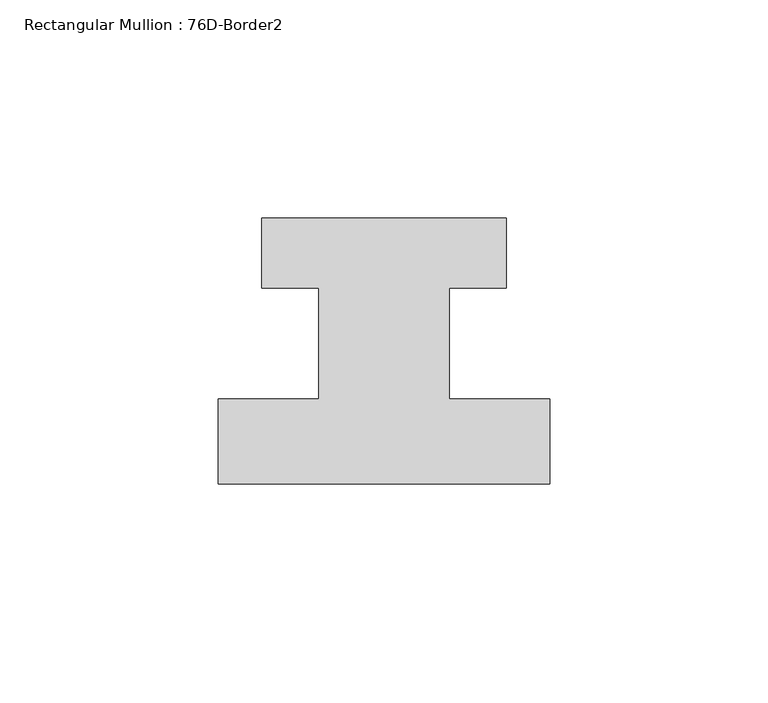
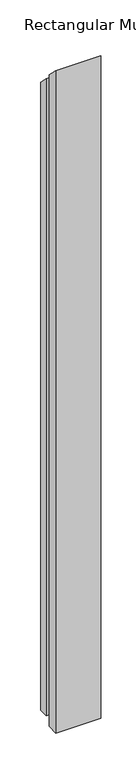
"""IFC4 building model written with IfcOpenShell, lengths in millimetres: member geometry, Rectangular Mullion : 76D-Border2."""

from ifc_helpers import new_model, si_unit, origin, place, context, project, spatial, faceted_brep, source, transform, mapped, element, save


def rectangular_mullion_76d_border2_1bf5336b(model_context):
    return source(origin(), model_context, "Body", "Brep", [
        faceted_brep([(0.0, -20.0, -1162.0), (-76.0, -20.0, -1162.0), (-76.0, -0.5, -1162.0), (-53.0, -0.5, -1162.0), (-53.0, 25.0, -1162.0), (-66.0, 25.0, -1162.0), (-66.0, 41.0, -1162.0), (-10.0, 41.0, -1162.0), (-10.0, 25.0, -1162.0), (-23.0, 25.0, -1162.0), (-23.0, -0.5, -1162.0), (0.0, -0.5, -1162.0), (0.0, -0.5, 0.5), (0.0, -20.0, 20.0), (-23.0, -0.5, 0.5), (-23.0, 25.0, -25.0), (-10.0, 25.0, -25.0), (-10.0, 41.0, -41.0), (-66.0, 41.0, -41.0), (-66.0, 25.0, -25.0), (-53.0, 25.0, -25.0), (-53.0, -0.5, 0.5), (-76.0, -0.5, 0.5), (-76.0, -20.0, 20.0)], [[[0, 1, 2, 3, 4, 5, 6, 7, 8, 9, 10, 11]], [[12, 13, 0, 11]], [[14, 12, 11, 10]], [[15, 14, 10, 9]], [[16, 15, 9, 8]], [[17, 16, 8, 7]], [[18, 17, 7, 6]], [[19, 18, 6, 5]], [[20, 19, 5, 4]], [[21, 20, 4, 3]], [[22, 21, 3, 2]], [[23, 22, 2, 1]], [[13, 23, 1, 0]], [[13, 12, 14, 15, 16, 17, 18, 19, 20, 21, 22, 23]]]),
    ])


if __name__ == "__main__":
    model = new_model("IFC4")
    model_context = context("Model", 3, world=origin())
    ifc_project = project(units=[si_unit("LENGTHUNIT", "METRE", prefix="MILLI")], contexts=[model_context])
    site = spatial("IfcSite", under=ifc_project)
    building = spatial("IfcBuilding", under=site)
    placement = place(None, origin())
    rectangular_mullion_76d_border2_shape = rectangular_mullion_76d_border2_1bf5336b(model_context)
    element("IfcMember", 1, ObjectType="Rectangular Mullion : 76D-Border2", at=placement, inside=building, context=model_context, shape_type="MappedRepresentation", body=[
        mapped(rectangular_mullion_76d_border2_shape, transform((0.0, 0.0, 0.0), x_axis=(1.0, 0.0, 0.0), y_axis=(0.0, 1.0, 0.0), z_axis=(0.0, 0.0, 1.0))),
    ])
    save(model, "model.ifc")
